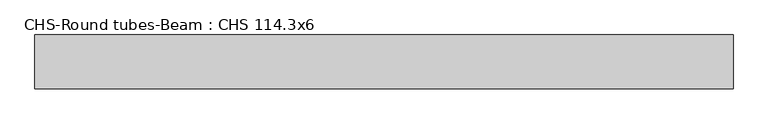
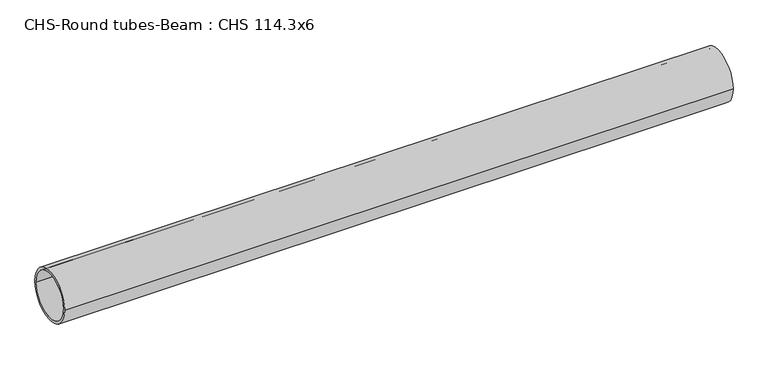
"""IFC4 building model written with IfcOpenShell, lengths in millimetres: beam geometry, CHS-Round tubes-Beam : CHS 114.3x6."""

from ifc_helpers import new_model, si_unit, point, frame, origin, origin_2d, place, context, project, spatial, circle_curve, trimmed, segment, composite_curve, outline, extrude, source, transform, mapped, element, save


def chs_round_tubes_beam_chs_114_3x6_fdc353f5(model_context):
    return source(origin(), model_context, "Body", "SweptSolid", [
        extrude(outline(composite_curve([segment(trimmed(circle_curve(origin_2d(), 57.15), [point((57.15, 0.0))], [point((-57.15, 0.0))], False, "CARTESIAN"), True, "CONTINUOUS"), segment(trimmed(circle_curve(origin_2d(), 57.15), [point((-57.15, 0.0))], [point((57.15, 0.0))], False, "CARTESIAN"), True, "CONTINUOUS")], self_intersect=False), holes=[composite_curve([segment(trimmed(circle_curve(origin_2d(), 51.15), [point((51.15, 0.0))], [point((-51.15, 0.0))], True, "CARTESIAN"), True, "CONTINUOUS"), segment(trimmed(circle_curve(origin_2d(), 51.15), [point((-51.15, 0.0))], [point((51.15, 0.0))], True, "CARTESIAN"), True, "CONTINUOUS")], self_intersect=False)]), frame((-756.5768753, 0.0, 0.0), z_axis=(1.0, 0.0, 0.0), x_axis=(0.0, 1.0, 0.0)), (0.0, 0.0, 1.0), 1479.2255571),
    ])


if __name__ == "__main__":
    model = new_model("IFC4")
    model_context = context("Model", 3, world=origin())
    ifc_project = project(units=[si_unit("LENGTHUNIT", "METRE", prefix="MILLI")], contexts=[model_context])
    site = spatial("IfcSite", under=ifc_project)
    building = spatial("IfcBuilding", under=site)
    placement = place(None, origin())
    chs_round_tubes_beam_chs_114_3x6_shape = chs_round_tubes_beam_chs_114_3x6_fdc353f5(model_context)
    element("IfcBeam", 1, ObjectType="CHS-Round tubes-Beam : CHS 114.3x6", at=placement, inside=building, context=model_context, shape_type="MappedRepresentation", body=[
        mapped(chs_round_tubes_beam_chs_114_3x6_shape, transform((0.0, 0.0, 0.0), x_axis=(1.0, 0.0, 0.0), y_axis=(0.0, 1.0, 0.0), z_axis=(0.0, 0.0, 1.0))),
    ])
    save(model, "model.ifc")
